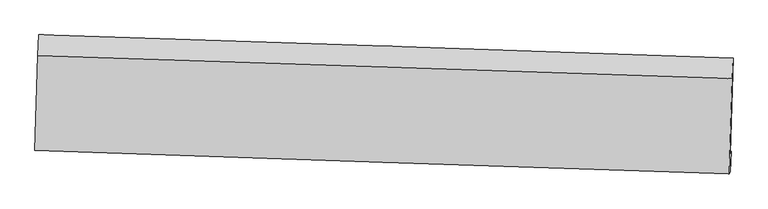
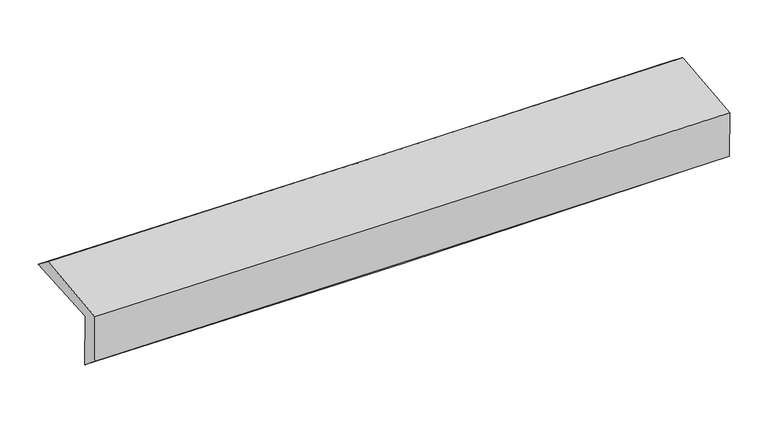
"""IFC4 building model written with IfcOpenShell, lengths in millimetres: proxy geometry."""

from ifc_helpers import new_model, si_unit, frame, origin, place, context, project, spatial, source, transform, mapped, element, save
from ifc_brep_helpers import plane_surface, spline_curve, spline_surface, advanced_brep


def generic_models_6e2e2382(model_context):
    return source(origin(), model_context, "Body", "AdvancedBrep", [
        advanced_brep(
        [(-2438.0649322, -1724.8537903, 2006.565416), (-2418.0462663, -1059.0730049, 2020.7347038), (2425.2288874, -1221.5488961, 2099.72838), (2404.5918152, -1887.3105913, 2085.5492975), (-2431.0691039, -1709.5665369, 1594.6667912), (2411.3755158, -1872.4868784, 1686.1402736), (-2437.3520589, -1853.7071616, 1714.5151935), (2405.0477618, -2016.4380846, 1800.9907822), (-2443.6975065, -1867.3369196, 2088.573971), (2398.7872978, -2029.8858063, 2170.053513), (-2424.1438219, -1202.6621854, 2129.9477801), (2418.9594015, -1365.2267869, 2211.4373253)],
        [
            (0, 1),
            (1, 2, spline_curve(3, [(-2418.0462663, -1059.0730049, 2020.7347038), (-1607.310402146, -1083.986745929, 2025.78306987), (-796.677154914, -1110.043625074, 2034.933923871), (817.746222281, -1164.220902186, 2061.332069399), (1621.53802643, -1192.322653716, 2078.512440537), (2425.2288874, -1221.5488961, 2099.72838)], [4, 2, 4], [0.0, 7.982831520299634, 15.900287229791893])),
            (2, 3),
            (3, 0, spline_curve(3, [(2404.5918152, -1887.3105913, 2085.5492975), (1600.903138392, -1861.405419668, 2064.264359258), (797.163541865, -1834.972609044, 2047.050156288), (-817.054529761, -1780.829091422, 2020.654692609), (-1627.533848695, -1753.109635281, 2011.540935273), (-2438.0649322, -1724.8537903, 2006.565416)], [4, 2, 4], [0.0, 7.917455709492259, 15.900287229791893])),
            (4, 0),
            (3, 5),
            (5, 4, spline_curve(3, [(2411.3755158, -1872.4868784, 1686.1402736), (1607.736421819, -1846.473358904, 1661.936016072), (804.039250688, -1819.947839921, 1642.223892818), (-810.107992765, -1765.649549781, 1611.658241083), (-1620.559028394, -1737.868288029, 1600.879203457), (-2431.0691039, -1709.5665369, 1594.6667912)], [4, 2, 4], [0.0, 7.916978002085959, 15.899327870466035])),
            (6, 4),
            (5, 7),
            (7, 6, spline_curve(3, [(2405.0477618, -2016.4380846, 1800.9907822), (1601.27532509, -1990.764035237, 1785.915209364), (797.51491119, -1964.424604399, 1771.199268519), (-816.618561849, -1910.191997367, 1742.36810854), (-1626.99142147, -1882.287786852, 1728.258853067), (-2437.3520589, -1853.7071616, 1714.5151935)], [4, 2, 4], [0.0, 7.91679575787948, 15.89896187723092])),
            (8, 6),
            (7, 9),
            (9, 8, spline_curve(3, [(2398.7872978, -2029.8858063, 2170.053513), (1595.028774255, -2004.181787364, 2154.155479162), (791.268321848, -1977.842355414, 2139.439537727), (-822.893247829, -1923.669929995, 2112.260088525), (-1633.294396581, -1895.826399658, 2099.816182589), (-2443.6975065, -1867.3369196, 2088.573971)], [4, 2, 4], [0.0, 7.916633533466355, 15.898636088889436])),
            (10, 8),
            (9, 11),
            (11, 10, spline_curve(3, [(2418.9594015, -1365.2267869, 2211.4373253), (1615.097422044, -1339.518970874, 2195.537688876), (811.233916849, -1313.17633365, 2180.820116434), (-803.133799225, -1258.998660181, 2153.637332908), (-1613.638034805, -1231.153096673, 2141.191723979), (-2424.1438219, -1202.6621854, 2129.9477801)], [4, 2, 4], [0.0, 7.917138376185541, 15.899649942902071])),
            (1, 10),
            (11, 2),
        ],
        [
            spline_surface(3, 3, [[(-2438.0649322, -1724.8537903, 2006.565416), (-1627.533848754, -1753.10963536, 2011.540935196), (-817.054529658, -1780.829091534, 2020.654692654), (797.163541763, -1834.972608934, 2047.050156243), (1600.903138463, -1861.405419771, 2064.264359279), (2404.5918152, -1887.3105913, 2085.5492975)], [(-2431.392043538, -1502.926861849, 2011.288511931), (-1620.79269984, -1530.06867227, 2016.288313426), (-810.262071448, -1557.233936017, 2025.414436431), (804.02443527, -1611.388706717, 2051.810793934), (1607.781434477, -1638.377831116, 2069.013719724), (2411.470839269, -1665.390026253, 2090.275658334)], [(-2424.719154962, -1280.999933351, 2016.011607869), (-1614.051551012, -1307.027709132, 2021.035691663), (-803.469613182, -1333.638780497, 2030.174180193), (810.885328833, -1387.804804497, 2056.57143161), (1614.659730484, -1415.350242402, 2073.763080168), (2418.349863331, -1443.469461147, 2095.002019166)], [(-2418.0462663, -1059.0730049, 2020.7347038), (-1607.310402098, -1083.986746043, 2025.783069892), (-796.677154973, -1110.04362498, 2034.933923969), (817.74622234, -1164.22090228, 2061.332069301), (1621.538026499, -1192.322653747, 2078.512440613), (2425.2288874, -1221.5488961, 2099.72838)]], [4, 4], [4, 2, 4], [0.0, 2.2022083977051463], [0.0, 7.982831520299634, 15.900287229791893]),
            spline_surface(3, 3, [[(-2431.0691039, -1709.5665369, 1594.6667912), (-1620.559028273, -1737.868288153, 1600.879203462), (-810.107992792, -1765.649549727, 1611.658241065), (804.039250714, -1819.947839975, 1642.223892837), (1607.736421791, -1846.473358913, 1661.93601599), (2411.3755158, -1872.4868784, 1686.1402736)], [(-2433.401046686, -1714.662288015, 1731.966332807), (-1622.883968452, -1742.948737203, 1737.76644738), (-812.423505073, -1770.709396977, 1747.990391607), (801.747347737, -1824.956096276, 1777.165980651), (1605.45866066, -1851.450712514, 1796.045463741), (2409.114282245, -1877.428116015, 1819.276614888)], [(-2435.732989414, -1719.758039185, 1869.265874393), (-1625.208908575, -1748.029186309, 1874.653691278), (-814.739017376, -1775.769244283, 1884.322542112), (799.45544474, -1829.964352632, 1912.108068428), (1603.180899594, -1856.42806617, 1930.154911528), (2406.853048755, -1882.369353685, 1952.412956212)], [(-2438.0649322, -1724.8537903, 2006.565416), (-1627.533848754, -1753.10963536, 2011.540935196), (-817.054529658, -1780.829091534, 2020.654692654), (797.163541763, -1834.972608934, 2047.050156243), (1600.903138463, -1861.405419771, 2064.264359279), (2404.5918152, -1887.3105913, 2085.5492975)]], [4, 4], [4, 2, 4], [0.0, 1.3361787972932226], [0.0, 7.9823498683800755, 15.899327870466035]),
            spline_surface(3, 3, [[(-2437.3520589, -1853.7071616, 1714.5151935), (-1626.991421404, -1882.287786894, 1728.258853161), (-816.618561789, -1910.191997237, 1742.368108624), (797.514911131, -1964.424604527, 1771.199268435), (1601.275325111, -1990.764035196, 1785.915209271), (2405.0477618, -2016.4380846, 1800.9907822)], [(-2435.257740574, -1805.660286696, 1674.565726037), (-1624.847290368, -1834.147953976, 1685.798969898), (-814.44837213, -1862.011181398, 1698.798152755), (799.689690985, -1916.265683007, 1728.207476553), (1603.429024016, -1942.667143098, 1744.588811535), (2407.157013145, -1968.454349196, 1762.707279358)], [(-2433.163422226, -1757.613411804, 1634.616258663), (-1622.70315931, -1786.008121071, 1643.339086725), (-812.278182451, -1813.830365567, 1655.228196934), (801.864470859, -1868.106761495, 1685.215684719), (1605.582722886, -1894.570251011, 1703.262413726), (2409.266264455, -1920.470613804, 1724.423776442)], [(-2431.0691039, -1709.5665369, 1594.6667912), (-1620.559028273, -1737.868288153, 1600.879203462), (-810.107992792, -1765.649549727, 1611.658241065), (804.039250714, -1819.947839975, 1642.223892837), (1607.736421791, -1846.473358913, 1661.93601599), (2411.3755158, -1872.4868784, 1686.1402736)]], [4, 4], [4, 2, 4], [0.0, 0.6377541116445751], [0.0, 7.982166119351441, 15.89896187723092]),
            spline_surface(3, 3, [[(-2443.6975065, -1867.3369196, 2088.573971), (-1633.29439653, -1895.826399581, 2099.816182472), (-822.893247709, -1923.669929969, 2112.260088427), (791.268321729, -1977.842355439, 2139.439537825), (1595.028774353, -2004.181787306, 2154.155479237), (2398.7872978, -2029.8858063, 2170.053513)], [(-2441.582357287, -1862.793666933, 1963.887711836), (-1631.193404808, -1891.313528685, 1975.963739372), (-820.801685736, -1919.17728573, 1988.962761825), (793.350518195, -1973.369771807, 2016.69278136), (1597.110957943, -1999.709203273, 2031.408722569), (2400.874119138, -2025.403232404, 2047.032602721)], [(-2439.467208113, -1858.250414267, 1839.201452664), (-1629.092413126, -1886.80065779, 1852.111296262), (-818.710123762, -1914.684641476, 1865.665435226), (795.432714664, -1968.897188159, 1893.9460249), (1599.19314152, -1995.236619229, 1908.661965939), (2402.960940462, -2020.920658496, 1924.011692479)], [(-2437.3520589, -1853.7071616, 1714.5151935), (-1626.991421404, -1882.287786894, 1728.258853161), (-816.618561789, -1910.191997237, 1742.368108624), (797.514911131, -1964.424604527, 1771.199268435), (1601.275325111, -1990.764035196, 1785.915209271), (2405.0477618, -2016.4380846, 1800.9907822)]], [4, 4], [4, 2, 4], [0.0, 1.2118469385891184], [0.0, 7.982002555423081, 15.898636088889436]),
            spline_surface(3, 3, [[(-2424.1438219, -1202.6621854, 2129.9477801), (-1613.638034931, -1231.153096733, 2141.191723948), (-803.133799105, -1258.998660137, 2153.637332998), (811.233916731, -1313.176333694, 2180.820116346), (1615.097422029, -1339.518970802, 2195.537689007), (2418.9594015, -1365.2267869, 2211.4373253)], [(-2430.661716753, -1424.220430155, 2116.15651041), (-1620.19015545, -1452.710864371, 2127.399876799), (-809.720281956, -1480.555750078, 2139.844918148), (804.578718413, -1534.731674272, 2167.026590179), (1608.407872808, -1561.073242987, 2181.743619066), (2412.235366938, -1586.779793384, 2197.642721182)], [(-2437.179611647, -1645.778674845, 2102.36524069), (-1626.742276011, -1674.268631943, 2113.608029621), (-816.306764858, -1702.112840028, 2126.052503276), (797.923520046, -1756.287014861, 2153.233063991), (1601.718323574, -1782.62751512, 2167.949549179), (2405.511332362, -1808.332799816, 2183.848117118)], [(-2443.6975065, -1867.3369196, 2088.573971), (-1633.29439653, -1895.826399581, 2099.816182472), (-822.893247709, -1923.669929969, 2112.260088427), (791.268321729, -1977.842355439, 2139.439537825), (1595.028774353, -2004.181787306, 2154.155479237), (2398.7872978, -2029.8858063, 2170.053513)]], [4, 4], [4, 2, 4], [0.0, 2.1858646868590115], [0.0, 7.98251156671653, 15.899649942902071]),
            spline_surface(3, 3, [[(-2418.0462663, -1059.0730049, 2020.7347038), (-1607.310402098, -1083.986746043, 2025.783069892), (-796.677154973, -1110.04362498, 2034.933923969), (817.74622234, -1164.22090228, 2061.332069301), (1621.538026499, -1192.322653747, 2078.512440613), (2425.2288874, -1221.5488961, 2099.72838)], [(-2420.078784863, -1106.936065052, 2057.139062579), (-1609.419613073, -1133.042196258, 2064.252621257), (-798.829369681, -1159.695303384, 2074.501726972), (815.575453806, -1213.87271277, 2101.161418309), (1619.391158341, -1241.388092747, 2117.520856762), (2423.139058766, -1269.441526348, 2136.964695118)], [(-2422.111303337, -1154.799125248, 2093.543421321), (-1611.528823957, -1182.097646517, 2102.722172583), (-800.981584397, -1209.346981732, 2114.069529996), (813.404685265, -1263.524523204, 2140.990767338), (1617.244290187, -1290.453531802, 2156.529272858), (2421.049230134, -1317.334156652, 2174.201010182)], [(-2424.1438219, -1202.6621854, 2129.9477801), (-1613.638034931, -1231.153096733, 2141.191723948), (-803.133799105, -1258.998660137, 2153.637332998), (811.233916731, -1313.176333694, 2180.820116346), (1615.097422029, -1339.518970802, 2195.537689007), (2418.9594015, -1365.2267869, 2211.4373253)]], [4, 4], [4, 2, 4], [0.0, 0.626053277211624], [0.0, 7.983165112354174, 15.900951681931623]),
            plane_surface(frame((2410.6651132, -1732.1495073, 2008.9832619), z_axis=(0.9993844806898324, -0.03131535581416597, 0.015811649077377664), x_axis=(0.01694945847792955, 0.03640810008615916, -0.9991932576360897))),
            plane_surface(frame((-2432.0622816, -1569.5332665, 1925.8339759), z_axis=(-0.9994125693889082, 0.03038754097388934, -0.01584656117335883), x_axis=(-0.0300475733536909, -0.9993221825781087, -0.021267786506354504))),
        ],
        [
            (0, [[1, 2, 3, 4]]),
            (1, [[5, -4, 6, 7]]),
            (2, [[8, -7, 9, 10]]),
            (3, [[11, -10, 12, 13]]),
            (4, [[14, -13, 15, 16]]),
            (5, [[17, -16, 18, -2]]),
            (6, [[-12, -9, -6, -3, -18, -15]]),
            (7, [[-1, -5, -8, -11, -14, -17]]),
        ],
    ),
    ])


if __name__ == "__main__":
    model = new_model("IFC4")
    model_context = context("Model", 3, world=origin())
    ifc_project = project(units=[si_unit("LENGTHUNIT", "METRE", prefix="MILLI")], contexts=[model_context])
    site = spatial("IfcSite", under=ifc_project)
    building = spatial("IfcBuilding", under=site)
    placement = place(None, origin())
    generic_models_shape = generic_models_6e2e2382(model_context)
    element("IfcBuildingElementProxy", 1, Name="Generic Models", at=placement, inside=building, context=model_context, shape_type="MappedRepresentation", body=[
        mapped(generic_models_shape, transform((0.0, 0.0, 0.0), x_axis=(1.0, 0.0, 0.0), y_axis=(0.0, 1.0, 0.0), z_axis=(0.0, 0.0, 1.0))),
    ])
    save(model, "model.ifc")
